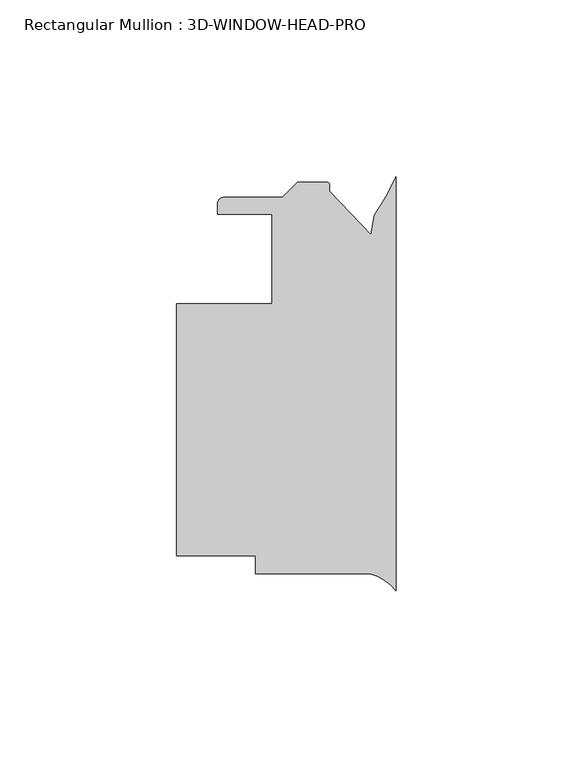
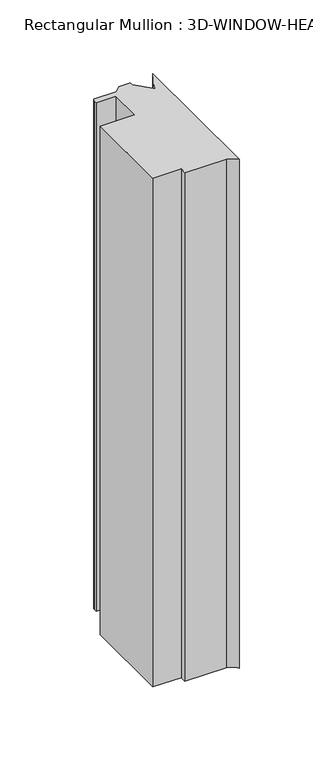
"""IFC4 building model written with IfcOpenShell, lengths in millimetres: member geometry, Rectangular Mullion : 3D-WINDOW-HEAD-PRO."""

from ifc_helpers import new_model, si_unit, point, frame, frame_2d, origin, place, context, project, spatial, polyline, circle_curve, trimmed, segment, composite_curve, outline, extrude, source, transform, mapped, element, save


def rectangular_mullion_3d_window_head_pro_fba0f901(model_context):
    return source(origin(), model_context, "Body", "SweptSolid", [
        extrude(outline(composite_curve([segment(trimmed(circle_curve(frame_2d((-10.8196816, -43.1726793)), 13.6928942), [point((0.0, -34.7804305))], [point((-7.2925126, -29.9418657))], True, "CARTESIAN"), True, "CONTINUOUS"), segment(polyline([(-7.2925126, -29.9418657), (-39.6875, -29.9418657), (-39.6875, -24.8618657), (-61.9125, -24.8618657), (-61.9125, 46.2581341), (-34.9250005, 46.2581341), (-34.9250005, 71.6581342), (-50.4261495, 71.6581342), (-50.4261495, 74.5791343)]), True, "CONTINUOUS"), segment(trimmed(circle_curve(frame_2d((-48.6481495, 74.5791343)), 1.778), [point((-50.4261495, 74.5791343))], [point((-48.6481495, 76.3571343))], False, "CARTESIAN"), True, "CONTINUOUS"), segment(polyline([(-48.6481495, 76.3571343), (-32.0436417, 76.3571343), (-27.7764417, 80.6243343), (-19.4381495, 80.6243343)]), True, "CONTINUOUS"), segment(trimmed(circle_curve(frame_2d((-19.4381495, 79.8623343)), 0.762), [point((-19.4381495, 80.6243343))], [point((-18.6761495, 79.8623343))], False, "CARTESIAN"), True, "CONTINUOUS"), segment(polyline([(-18.6761495, 79.8623343), (-18.6761495, 78.0843345), (-7.0515961, 65.8785533), (-6.0929444, 71.315337)]), True, "CONTINUOUS"), segment(trimmed(circle_curve(frame_2d((-51.6557302, 104.0717762)), 56.1155216), [point((-6.0929444, 71.315337))], [point((0.0, 82.1483345))], True, "CARTESIAN"), True, "CONTINUOUS"), segment(polyline([(0.0, 82.1483345), (0.0, -34.7804305)]), True, "CONTINUOUS")], self_intersect=False)), frame((0.0, 0.0, -420.775903), z_axis=(0.0, 0.0, 1.0), x_axis=(1.0, 0.0, 0.0)), (0.0, 0.0, 1.0), 420.775903),
    ])


if __name__ == "__main__":
    model = new_model("IFC4")
    model_context = context("Model", 3, world=origin())
    ifc_project = project(units=[si_unit("LENGTHUNIT", "METRE", prefix="MILLI")], contexts=[model_context])
    site = spatial("IfcSite", under=ifc_project)
    building = spatial("IfcBuilding", under=site)
    placement = place(None, origin())
    rectangular_mullion_3d_window_head_pro_shape = rectangular_mullion_3d_window_head_pro_fba0f901(model_context)
    element("IfcMember", 1, ObjectType="Rectangular Mullion : 3D-WINDOW-HEAD-PRO", at=placement, inside=building, context=model_context, shape_type="MappedRepresentation", body=[
        mapped(rectangular_mullion_3d_window_head_pro_shape, transform((0.0, 0.0, 0.0), x_axis=(1.0, 0.0, 0.0), y_axis=(0.0, 1.0, 0.0), z_axis=(0.0, 0.0, 1.0))),
    ])
    save(model, "model.ifc")
